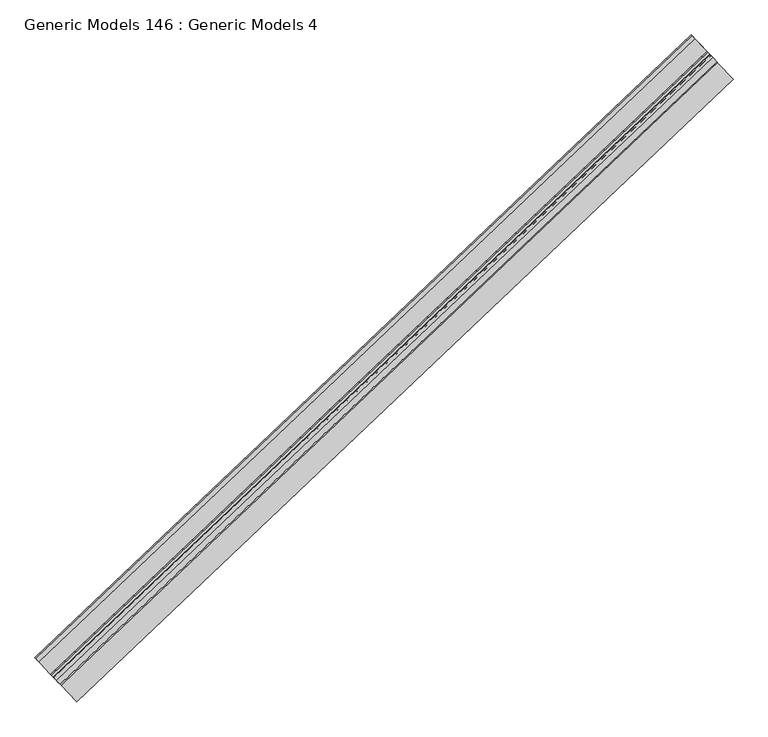
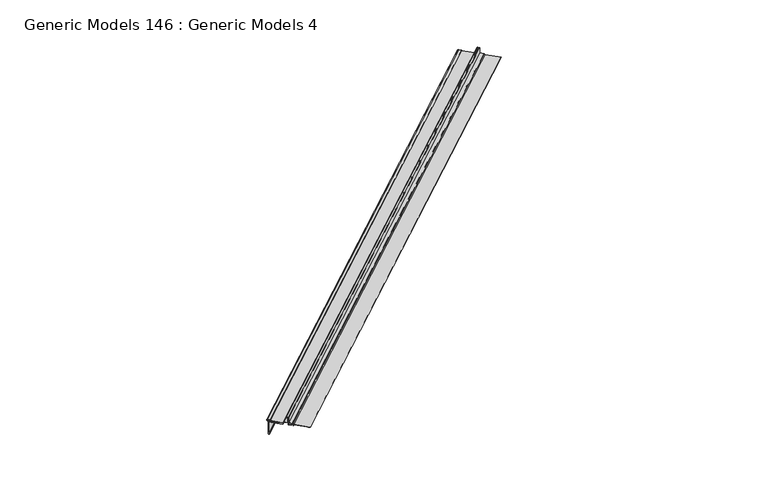
"""IFC4 building model written with IfcOpenShell, lengths in millimetres: proxy geometry, Generic Models 146 : Generic Models 4."""

from ifc_helpers import new_model, si_unit, point, frame, frame_2d, origin, place, context, project, spatial, polyline, circle_curve, trimmed, segment, composite_curve, outline, extrude, source, transform, mapped, element, save


def generic_models_146_generic_models_4_5bae1363(model_context):
    return source(origin(), model_context, "Body", "SweptSolid", [
        extrude(outline(polyline([(122.5337463, -60.2442394), (123.6720489, -61.1702004), (141.1345489, -61.1702004), (141.1345489, -16.7202004), (171.2970488, -16.7202004), (177.6470489, -10.3702004), (291.6870805, -10.3702004), (291.6870805, -11.1639504), (177.9758309, -11.1639504), (171.6258309, -17.5139504), (141.9282989, -17.5139504), (141.9282989, -61.9639504), (123.3899777, -61.9639504), (121.670915, -60.5655657), (122.306576, -56.9684559), (125.751988, -55.7865734), (131.0237952, -56.3291239), (130.9425353, -57.1187035), (125.8443969, -56.5940262), (123.0067794, -57.5674164), (122.5337463, -60.2442394)])), frame((101243.2254592, 55739.4180045, 18705.0067283), z_axis=(0.7253743710123146, 0.6883545756937256, 0.0), x_axis=(0.6883545756937256, -0.7253743710123146, 0.0)), (0.0, 0.0, 1.0), 4530.725),
        extrude(outline(polyline([(170.2994353, -9.4655075), (174.2472564, -1.538472), (174.9577699, -1.8923218), (170.7908698, -10.2592575), (162.6767247, -10.2592575), (158.7287099, -0.79375), (140.0008003, -0.79375), (140.0008003, -60.5512943), (126.3269255, -60.5512943), (126.3269255, -59.7575443), (139.2070502, -59.7575443), (139.2070502, 0.0), (159.2576675, 0.0), (163.2056823, -9.4655075), (170.2994353, -9.4655075)])), frame((101243.2254592, 55739.4180045, 18705.0067283), z_axis=(0.7253743710123146, 0.6883545756937256, 0.0), x_axis=(0.6883545756937256, -0.7253743710123146, 0.0)), (0.0, 0.0, 1.0), 4530.725),
        extrude(outline(polyline([(100.9271194, -10.3702004), (107.2769256, -16.7202004), (137.4394255, -16.7202004), (137.4394255, -58.8763481), (126.3269255, -58.8763481), (126.3269255, -58.0825981), (136.6456756, -58.0825981), (136.6456756, -17.5139504), (106.9481365, -17.5139504), (100.5983303, -11.1639504), (-7.5735687, -11.1639504), (-7.5735687, -10.3702004), (100.9271194, -10.3702004)])), frame((101243.2254592, 55739.4180045, 18705.0067283), z_axis=(0.7253743710123146, 0.6883545756937256, 0.0), x_axis=(0.6883545756937256, -0.7253743710123146, 0.0)), (0.0, 0.0, 1.0), 4530.725),
        extrude(outline(composite_curve([segment(polyline([(-7.5735687, -5.6029041), (73.8548428, -5.6029041), (73.8548428, -6.3966541), (-7.5735687, -6.3966541)]), True, "CONTINUOUS"), segment(trimmed(circle_curve(frame_2d((-7.5735687, -10.7293354)), 4.3326813), [point((-7.5735687, -6.3966541))], [point((-7.5735687, -15.0620167))], True, "CARTESIAN"), True, "CONTINUOUS"), segment(polyline([(-7.5735687, -15.0620167), (13.5202105, -15.0620167), (13.5202105, -15.8557667), (-7.5735687, -15.8557667)]), True, "CONTINUOUS"), segment(trimmed(circle_curve(frame_2d((-7.5735687, -10.7293354)), 5.1264313), [point((-7.5735687, -15.8557667))], [point((-7.5735687, -5.6029041))], False, "CARTESIAN"), True, "CONTINUOUS")], self_intersect=False)), frame((101243.2254592, 55739.4180045, 18705.0067283), z_axis=(0.7253743710123146, 0.6883545756937256, 0.0), x_axis=(0.6883545756937256, -0.7253743710123146, 0.0)), (0.0, 0.0, 1.0), 4530.725),
        extrude(outline(composite_curve([segment(trimmed(circle_curve(frame_2d((2.6654139, 100.3308187)), 1.8716639), [point((4.5370777, 100.3308187))], [point((0.79375, 100.3308187))], True, "CARTESIAN"), True, "CONTINUOUS"), segment(polyline([(0.79375, 100.3308187), (0.79375, 2.1899826), (100.7774243, 2.1899826), (100.7774243, 1.3962326), (0.0, 1.3962326), (0.0, 100.3308187)]), True, "CONTINUOUS"), segment(trimmed(circle_curve(frame_2d((2.6654139, 100.3308187)), 2.6654139), [point((0.0, 100.3308187))], [point((5.3308277, 100.3308187))], False, "CARTESIAN"), True, "CONTINUOUS"), segment(polyline([(5.3308277, 100.3308187), (5.3308277, 91.9995928), (4.5370777, 91.9995928), (4.5370777, 100.3308187)]), True, "CONTINUOUS")], self_intersect=False)), frame((101243.2254592, 55739.4180045, 18705.0067283), z_axis=(0.7253743710123146, 0.6883545756937256, 0.0), x_axis=(0.6883545756937256, -0.7253743710123146, 0.0)), (0.0, 0.0, 1.0), 4530.725),
    ])


if __name__ == "__main__":
    model = new_model("IFC4")
    model_context = context("Model", 3, world=origin())
    ifc_project = project(units=[si_unit("LENGTHUNIT", "METRE", prefix="MILLI")], contexts=[model_context])
    site = spatial("IfcSite", under=ifc_project)
    building = spatial("IfcBuilding", under=site)
    placement = place(None, origin())
    generic_models_146_generic_models_4_shape = generic_models_146_generic_models_4_5bae1363(model_context)
    element("IfcBuildingElementProxy", 1, Name="Generic Models 146 : Generic Models 4", ObjectType="Generic Models 146 : Generic Models 4", at=placement, inside=building, context=model_context, shape_type="MappedRepresentation", body=[
        mapped(generic_models_146_generic_models_4_shape, transform((0.0, 0.0, 0.0), x_axis=(1.0, 0.0, 0.0), y_axis=(0.0, 1.0, 0.0), z_axis=(0.0, 0.0, 1.0))),
    ])
    save(model, "model.ifc")
